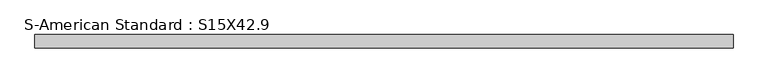
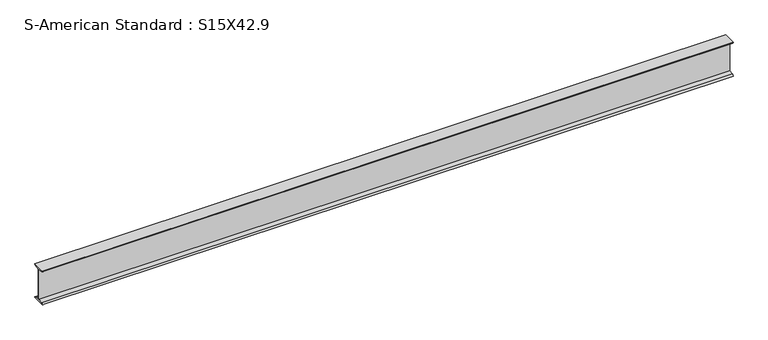
"""IFC4 building model written with IfcOpenShell, lengths in millimetres: beam geometry, S-American Standard : S15X42.9."""

from ifc_helpers import new_model, si_unit, point, frame, frame_2d, origin, place, context, project, spatial, polyline, circle_curve, trimmed, segment, composite_curve, outline, extrude, source, transform, mapped, element, save


def s_american_standard_s15x42_9_5a6b130d(model_context):
    return source(origin(), model_context, "Body", "SweptSolid", [
        extrude(outline(composite_curve([segment(polyline([(-69.85, 190.5), (69.85, 190.5)]), True, "CONTINUOUS"), segment(trimmed(circle_curve(frame_2d((54.05, 190.5)), 15.8), [point((69.85, 190.5))], [point((54.05, 174.7))], False, "CARTESIAN"), True, "CONTINUOUS"), segment(polyline([(54.05, 174.7), (5.2, 166.9629201), (5.2, -166.9629201), (54.05, -174.7)]), True, "CONTINUOUS"), segment(trimmed(circle_curve(frame_2d((54.05, -190.5)), 15.8), [point((54.05, -174.7))], [point((69.85, -190.5))], False, "CARTESIAN"), True, "CONTINUOUS"), segment(polyline([(69.85, -190.5), (-69.85, -190.5)]), True, "CONTINUOUS"), segment(trimmed(circle_curve(frame_2d((-54.05, -190.5)), 15.8), [point((-69.85, -190.5))], [point((-54.05, -174.7))], False, "CARTESIAN"), True, "CONTINUOUS"), segment(polyline([(-54.05, -174.7), (-5.2, -166.9629201), (-5.2, 166.9629201), (-54.05, 174.7)]), True, "CONTINUOUS"), segment(trimmed(circle_curve(frame_2d((-54.05, 190.5)), 15.8), [point((-54.05, 174.7))], [point((-69.85, 190.5))], False, "CARTESIAN"), True, "CONTINUOUS")], self_intersect=False)), frame((-3683.3313864, 0.0, 0.0), z_axis=(1.0, 0.0, 0.0), x_axis=(0.0, 1.0, 0.0)), (0.0, 0.0, 1.0), 7362.755116),
    ])


if __name__ == "__main__":
    model = new_model("IFC4")
    model_context = context("Model", 3, world=origin())
    ifc_project = project(units=[si_unit("LENGTHUNIT", "METRE", prefix="MILLI")], contexts=[model_context])
    site = spatial("IfcSite", under=ifc_project)
    building = spatial("IfcBuilding", under=site)
    placement = place(None, origin())
    s_american_standard_s15x42_9_shape = s_american_standard_s15x42_9_5a6b130d(model_context)
    element("IfcBeam", 1, ObjectType="S-American Standard : S15X42.9", at=placement, inside=building, context=model_context, shape_type="MappedRepresentation", body=[
        mapped(s_american_standard_s15x42_9_shape, transform((0.0, 0.0, 0.0), x_axis=(1.0, 0.0, 0.0), y_axis=(0.0, 1.0, 0.0), z_axis=(0.0, 0.0, 1.0))),
    ])
    save(model, "model.ifc")
